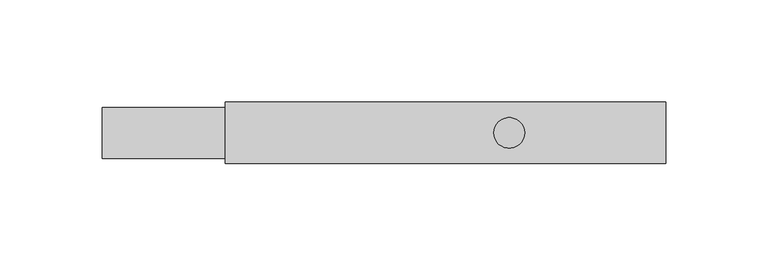
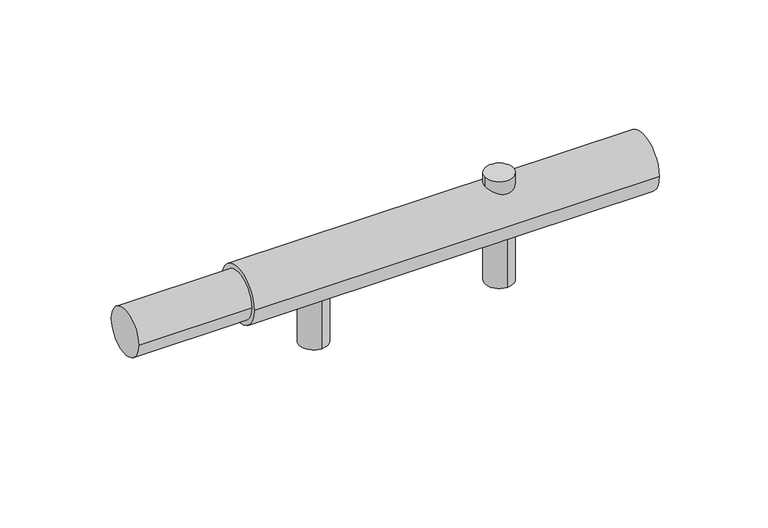
"""IFC4 building model written with IfcOpenShell, lengths in millimetres: proxy geometry."""

from ifc_helpers import new_model, si_unit, point, frame, frame_2d, origin, origin_with_axes, origin_2d, place, context, project, spatial, circle_curve, trimmed, segment, composite_curve, outline, extrude, source, transform, mapped, element, save


def mechanical_equipment_8013c1bf(model_context):
    return source(origin(), model_context, "Body", "SweptSolid", [
        extrude(outline(composite_curve([segment(trimmed(circle_curve(frame_2d((198.6363636, 0.0)), 7.5), [point((191.1363636, 0.0))], [point((206.1363636, 0.0))], False, "CARTESIAN"), True, "CONTINUOUS"), segment(trimmed(circle_curve(frame_2d((198.6363636, 0.0)), 7.5), [point((206.1363636, 0.0))], [point((191.1363636, 0.0))], False, "CARTESIAN"), True, "CONTINUOUS")], self_intersect=False)), origin_with_axes(), (0.0, 0.0, 1.0), 20.0),
        extrude(outline(composite_curve([segment(trimmed(circle_curve(origin_2d(), 12.5), [point((-12.5, 0.0))], [point((12.5, 0.0))], False, "CARTESIAN"), True, "CONTINUOUS"), segment(trimmed(circle_curve(origin_2d(), 12.5), [point((12.5, 0.0))], [point((-12.5, 0.0))], False, "CARTESIAN"), True, "CONTINUOUS")], self_intersect=False)), frame((0.0, 0.0, 0.0), z_axis=(1.0, 0.0, 0.0), x_axis=(0.0, 1.0, 0.0)), (0.0, 0.0, 1.0), 60.0),
        extrude(outline(composite_curve([segment(trimmed(circle_curve(origin_2d(), 15.0), [point((-15.0, 0.0))], [point((15.0, 0.0))], False, "CARTESIAN"), True, "CONTINUOUS"), segment(trimmed(circle_curve(origin_2d(), 15.0), [point((15.0, 0.0))], [point((-15.0, 0.0))], False, "CARTESIAN"), True, "CONTINUOUS")], self_intersect=False)), frame((60.0, 0.0, 0.0), z_axis=(1.0, 0.0, 0.0), x_axis=(0.0, 1.0, 0.0)), (0.0, 0.0, 1.0), 215.0),
        extrude(outline(composite_curve([segment(trimmed(circle_curve(frame_2d((198.6363636, 0.0)), 7.5), [point((198.6363636, 7.5))], [point((198.6363636, -7.5))], False, "CARTESIAN"), True, "CONTINUOUS"), segment(trimmed(circle_curve(frame_2d((198.6363636, 0.0)), 7.5), [point((198.6363636, -7.5))], [point((198.6363636, 7.5))], False, "CARTESIAN"), True, "CONTINUOUS")], self_intersect=False)), frame((0.0, 0.0, -40.0), z_axis=(0.0, 0.0, 1.0), x_axis=(1.0, 0.0, 0.0)), (0.0, 0.0, 1.0), 40.0),
        extrude(outline(composite_curve([segment(trimmed(circle_curve(frame_2d((100.0, 0.0)), 7.5), [point((100.0, 7.5))], [point((100.0, -7.5))], False, "CARTESIAN"), True, "CONTINUOUS"), segment(trimmed(circle_curve(frame_2d((100.0, 0.0)), 7.5), [point((100.0, -7.5))], [point((100.0, 7.5))], False, "CARTESIAN"), True, "CONTINUOUS")], self_intersect=False)), frame((0.0, 0.0, -40.0), z_axis=(0.0, 0.0, 1.0), x_axis=(1.0, 0.0, 0.0)), (0.0, 0.0, 1.0), 40.0),
    ])


if __name__ == "__main__":
    model = new_model("IFC4")
    model_context = context("Model", 3, world=origin())
    ifc_project = project(units=[si_unit("LENGTHUNIT", "METRE", prefix="MILLI")], contexts=[model_context])
    site = spatial("IfcSite", under=ifc_project)
    building = spatial("IfcBuilding", under=site)
    placement = place(None, origin())
    mechanical_equipment_shape = mechanical_equipment_8013c1bf(model_context)
    element("IfcBuildingElementProxy", 1, Name="Mechanical Equipment", at=placement, inside=building, context=model_context, shape_type="MappedRepresentation", body=[
        mapped(mechanical_equipment_shape, transform((0.0, 0.0, 0.0), x_axis=(1.0, 0.0, 0.0), y_axis=(0.0, 1.0, 0.0), z_axis=(0.0, 0.0, 1.0))),
    ])
    save(model, "model.ifc")
